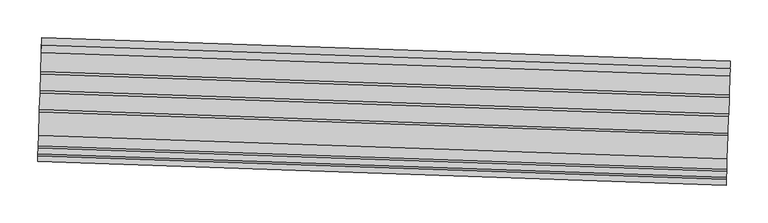
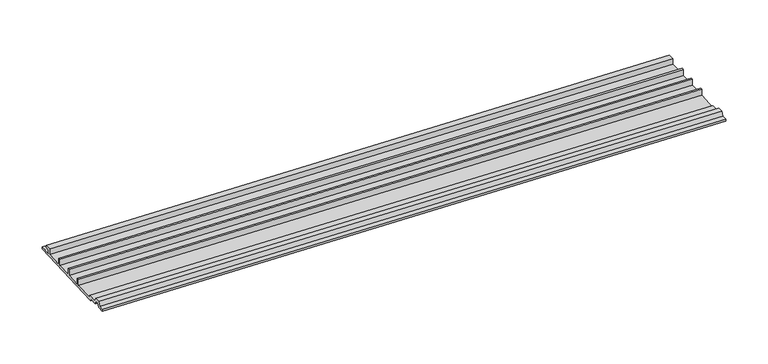
"""IFC4 building model written with IfcOpenShell, lengths in millimetres: proxy geometry."""

from ifc_helpers import new_model, si_unit, frame, origin, place, context, project, spatial, polyline, outline, extrude, source, transform, mapped, element, save


def generic_models_65a932a1(model_context):
    return source(origin(), model_context, "Body", "SweptSolid", [
        extrude(outline(polyline([(0.0, 0.0), (16.66875, 0.0), (16.66875, 4.9129905), (10.31875, 4.9129905), (10.31875, 8.8104385), (19.84375, 8.8104385), (19.84375, 0.0), (45.2437501, 0.0), (45.2437501, 9.525), (48.41875, 9.525), (48.41875, 0.0), (70.6437501, 0.0), (70.6437501, 9.525), (73.81875, 9.525), (73.81875, 0.0), (96.04375, 0.0), (96.04375, 9.525), (99.21875, 9.525), (99.21875, 0.0), (130.1750001, 0.0), (130.1750001, 3.175), (144.027302, 3.175), (146.8433295, 9.2139906), (154.7816705, 9.2139906), (157.5976981, 3.175), (165.1, 3.175), (165.1, 0.0), (155.575, 0.0), (153.0459233, 5.4236225), (148.5790767, 5.4236225), (146.0500001, 0.0), (133.35, 0.0), (133.35, -3.175), (0.0, -3.175), (0.0, 0.0)])), frame((34366.1487071, -15141.6061113, 2962.2819019), z_axis=(-0.9994149479166312, 0.034201781836588584, 0.0), x_axis=(-0.034201781836588584, -0.9994149479166312, 0.0)), (0.0, 0.0, 1.0), 914.4),
    ])


if __name__ == "__main__":
    model = new_model("IFC4")
    model_context = context("Model", 3, world=origin())
    ifc_project = project(units=[si_unit("LENGTHUNIT", "METRE", prefix="MILLI")], contexts=[model_context])
    site = spatial("IfcSite", under=ifc_project)
    building = spatial("IfcBuilding", under=site)
    placement = place(None, origin())
    generic_models_shape = generic_models_65a932a1(model_context)
    element("IfcBuildingElementProxy", 1, Name="Generic Models", at=placement, inside=building, context=model_context, shape_type="MappedRepresentation", body=[
        mapped(generic_models_shape, transform((0.0, 0.0, 0.0), x_axis=(1.0, 0.0, 0.0), y_axis=(0.0, 1.0, 0.0), z_axis=(0.0, 0.0, 1.0))),
    ])
    save(model, "model.ifc")
